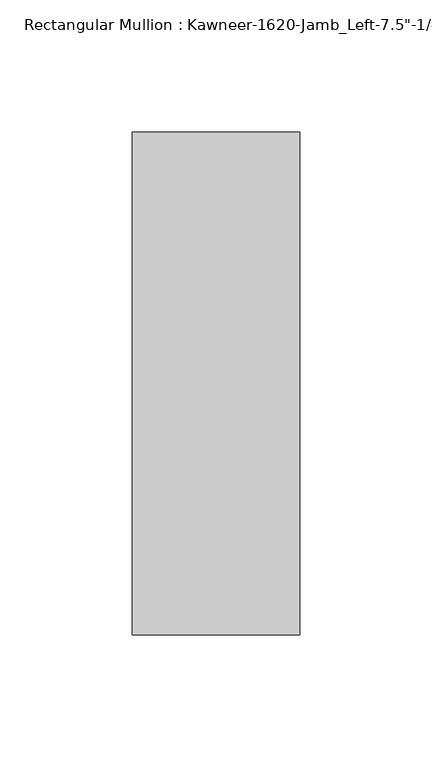
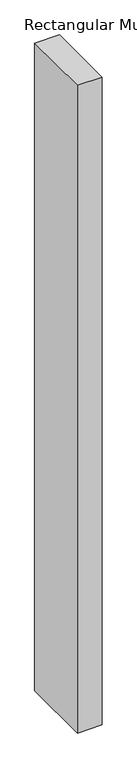
"""IFC4 building model written with IfcOpenShell, lengths in millimetres: member geometry."""

import ifcopenshell
import ifcopenshell.guid

model = None  # the IFC model being written
_history = None  # IfcOwnerHistory: only IFC2X3 demands one
_inside = {}  # id of a spatial element -> (the spatial element, [elements in it])
_under = {}  # id of a project, library or spatial element -> (it, [spatial elements below it])
_declared = {}  # id of a project -> (the project, [libraries it declares])
_typed = {}  # id of a type object -> (the type object, [elements of that type])
_made_of = {}  # id of a material, layer set ... -> (it, [elements and type objects made of it])


def new_model(schema):
    """Start an empty IFC model of exactly this schema.

    Asked for "IFC4X3", IfcOpenShell would pick the latest addendum, in which some entities
    have other attributes; the version numbers below select the first issue.
    IFC2X3 requires an IfcOwnerHistory on every rooted entity: one is made here for all.
    """
    global model, _history
    if schema == "IFC4X3":
        model = ifcopenshell.file(schema_version=(4, 3, 0, 0))
    else:
        model = ifcopenshell.file(schema=schema)
    _inside.clear()
    _under.clear()
    _declared.clear()
    _typed.clear()
    _made_of.clear()
    _history = None
    if model.schema == "IFC2X3":
        org = make("IfcOrganization", Name="unknown")
        user = make(
            "IfcPersonAndOrganization",
            ThePerson=make("IfcPerson", FamilyName="unknown"),
            TheOrganization=org,
        )
        app = make(
            "IfcApplication",
            ApplicationDeveloper=org,
            Version="unknown",
            ApplicationFullName="unknown",
            ApplicationIdentifier="unknown",
        )
        _history = make(
            "IfcOwnerHistory",
            OwningUser=user,
            OwningApplication=app,
            ChangeAction="ADDED",
            CreationDate=0,
        )
    return model


def make(cls, **values):
    """One entity of the class cls with the attributes given. An attribute that is None is left unset."""
    return model.create_entity(
        cls, **{name: value for name, value in values.items() if value is not None}
    )


def rooted(cls, **values):
    """An entity with a GlobalId (a new one), such as an element, a storey or a relation."""
    return make(cls, GlobalId=ifcopenshell.guid.new(), OwnerHistory=_history, **values)


def si_unit(unit_type, name, prefix=None):
    """IfcSIUnit, for example si_unit("LENGTHUNIT", "METRE", prefix="MILLI")."""
    return make("IfcSIUnit", UnitType=unit_type, Prefix=prefix, Name=name)


def assignment(units):
    """IfcUnitAssignment: the units of a project."""
    return None if units is None else make("IfcUnitAssignment", Units=units)


def point(xyz):
    """IfcCartesianPoint."""
    return None if xyz is None else make("IfcCartesianPoint", Coordinates=xyz)


def direction(xyz):
    """IfcDirection."""
    return None if xyz is None else make("IfcDirection", DirectionRatios=xyz)


def frame(location, z_axis=None, x_axis=None):
    """IfcAxis2Placement3D, a coordinate frame: its origin and axes. An axis left out is left unset."""
    return make(
        "IfcAxis2Placement3D",
        Location=point(location),
        Axis=direction(z_axis),
        RefDirection=direction(x_axis),
    )


def origin():
    """The frame at (0, 0, 0) with its axes left unset."""
    return frame((0.0, 0.0, 0.0))


def place(relative_to, where):
    """IfcLocalPlacement: puts the frame where relative to a parent placement (None: the world)."""
    return make(
        "IfcLocalPlacement", PlacementRelTo=relative_to, RelativePlacement=where
    )


def context(
    kind, dimensions, precision=None, world=None, true_north=None, identifier=None
):
    """IfcGeometricRepresentationContext, for example the 3D "Model" context."""
    return make(
        "IfcGeometricRepresentationContext",
        ContextIdentifier=identifier,
        ContextType=kind,
        CoordinateSpaceDimension=dimensions,
        Precision=precision,
        WorldCoordinateSystem=world,
        TrueNorth=true_north,
    )


def project(units=None, contexts=None):
    """IfcProject with its units and contexts."""
    return rooted(
        "IfcProject",
        Name="project",
        RepresentationContexts=contexts,
        UnitsInContext=assignment(units),
    )


def spatial(cls, under=None, at=None, **own):
    """A site, building, storey or space (cls), placed at a placement, below another one or the project."""
    s = rooted(cls, ObjectPlacement=at, **own)
    if under is not None:
        _under.setdefault(under.id(), (under, []))[1].append(s)
    return s


def polyline(points):
    """IfcPolyline through the points."""
    return make("IfcPolyline", Points=[point(p) for p in points])


def outline(outer, holes=None, kind="AREA"):
    """IfcArbitraryClosedProfileDef: a profile drawn as a closed curve; with holes, ...WithVoids."""
    if holes is None:
        return make("IfcArbitraryClosedProfileDef", ProfileType=kind, OuterCurve=outer)
    return make(
        "IfcArbitraryProfileDefWithVoids",
        ProfileType=kind,
        OuterCurve=outer,
        InnerCurves=holes,
    )


def extrude(swept, where, along, depth):
    """IfcExtrudedAreaSolid: the profile swept, set in the frame where, extruded along a direction by depth."""
    return make(
        "IfcExtrudedAreaSolid",
        SweptArea=swept,
        Position=where,
        ExtrudedDirection=direction(along),
        Depth=depth,
    )


def shape(context_of_items, identifier, shape_type, items):
    """IfcShapeRepresentation: the items that make up one representation, for example the "Body"."""
    return make(
        "IfcShapeRepresentation",
        ContextOfItems=context_of_items,
        RepresentationIdentifier=identifier,
        RepresentationType=shape_type,
        Items=items,
    )


def source(mapping_origin, context_of_items, identifier, shape_type, items):
    """IfcRepresentationMap: a shape defined once, which mapped items show again and again."""
    return make(
        "IfcRepresentationMap",
        MappingOrigin=mapping_origin,
        MappedRepresentation=shape(context_of_items, identifier, shape_type, items),
    )


def transform(
    local_origin,
    x_axis=None,
    y_axis=None,
    z_axis=None,
    scale=None,
    scale2=None,
    scale3=None,
    uniform=True,
):
    """IfcCartesianTransformationOperator3D, or its non-uniform kind. x_axis, y_axis, z_axis: its Axis1, 2, 3."""
    if uniform:
        return make(
            "IfcCartesianTransformationOperator3D",
            Axis1=direction(x_axis),
            Axis2=direction(y_axis),
            LocalOrigin=point(local_origin),
            Scale=scale,
            Axis3=direction(z_axis),
        )
    return make(
        "IfcCartesianTransformationOperator3DnonUniform",
        Axis1=direction(x_axis),
        Axis2=direction(y_axis),
        LocalOrigin=point(local_origin),
        Scale=scale,
        Axis3=direction(z_axis),
        Scale2=scale2,
        Scale3=scale3,
    )


def mapped(mapping_source, mapping_target):
    """IfcMappedItem: shows the shape of a source again, moved by a transform."""
    return make(
        "IfcMappedItem", MappingSource=mapping_source, MappingTarget=mapping_target
    )


def made_of(thing, what):
    """Note that an element or type object is made of a material, layer set ...; save() writes the relation."""
    if what is not None:
        _made_of.setdefault(what.id(), (what, []))[1].append(thing)
    return thing


def element(
    cls,
    number,
    at=None,
    inside=None,
    cuts=None,
    type_object=None,
    material=None,
    context=None,
    identifier="Body",
    shape_type=None,
    held_by="IfcProductDefinitionShape",
    body=None,
    shapes=None,
    **own,
):
    """One element of the class cls, such as IfcWall. Its Tag is "e" and its number.

    at: its placement. inside: the storey or other place that contains it. cuts: it is an
    opening in that element (IfcRelVoidsElement). A single representation is given by context,
    identifier, shape_type and body (its items); several are given by shapes. held_by: the class
    of the entity that holds the representations. save() writes the other relations.
    """
    e = rooted(cls, Tag="e%d" % number, ObjectPlacement=at, **own)
    if body is not None:
        shapes = [shape(context, identifier, shape_type, body)]
    if shapes is not None:
        e.Representation = make(held_by, Representations=shapes)
    if inside is not None:
        _inside.setdefault(inside.id(), (inside, []))[1].append(e)
    if cuts is not None:
        rooted(
            "IfcRelVoidsElement", RelatingBuildingElement=cuts, RelatedOpeningElement=e
        )
    if type_object is not None:
        _typed.setdefault(type_object.id(), (type_object, []))[1].append(e)
    return made_of(e, material)


def aggregate(whole, parts):
    """IfcRelAggregates: a whole, such as a stair, and the parts it consists of."""
    return rooted("IfcRelAggregates", RelatingObject=whole, RelatedObjects=parts)


def save(model, path):
    """Write the relations noted so far, then the file.

    IfcRelAggregates (storeys below a building ...), IfcRelContainedInSpatialStructure (elements
    in a storey), IfcRelDefinesByType, IfcRelAssociatesMaterial and IfcRelDeclares: one each for
    every whole, place, type object, material and project.
    """
    for whole, parts in _under.values():
        aggregate(whole, parts)
    for where, things in _inside.values():
        rooted(
            "IfcRelContainedInSpatialStructure",
            RelatedElements=things,
            RelatingStructure=where,
        )
    for kind, things in _typed.values():
        rooted("IfcRelDefinesByType", RelatedObjects=things, RelatingType=kind)
    for what, things in _made_of.values():
        rooted("IfcRelAssociatesMaterial", RelatedObjects=things, RelatingMaterial=what)
    for by, libraries in _declared.values():
        rooted("IfcRelDeclares", RelatingContext=by, RelatedDefinitions=libraries)
    model.write(path)


def member_bf3c01fd(model_context):
    return source(origin(), model_context, "Body", "SweptSolid", [
        extrude(outline(polyline([(22.225, -28.575), (-41.275, -28.575), (-41.275, 161.925), (22.225, 161.925), (22.225, -28.575)])), frame((0.0, 0.0, -1765.3), z_axis=(0.0, 0.0, 1.0), x_axis=(1.0, 0.0, 0.0)), (0.0, 0.0, 1.0), 1765.3),
    ])


if __name__ == "__main__":
    model = new_model("IFC4")
    model_context = context("Model", 3, world=origin())
    ifc_project = project(units=[si_unit("LENGTHUNIT", "METRE", prefix="MILLI")], contexts=[model_context])
    site = spatial("IfcSite", under=ifc_project)
    building = spatial("IfcBuilding", under=site)
    placement = place(None, origin())
    member_shape = member_bf3c01fd(model_context)
    element("IfcMember", 1, ObjectType="Rectangular Mullion : Kawneer-1620-Jamb_Left-7.5\"-1/4\"Infill", at=placement, inside=building, context=model_context, shape_type="MappedRepresentation", body=[
        mapped(member_shape, transform((0.0, 0.0, 0.0), x_axis=(1.0, 0.0, 0.0), y_axis=(0.0, 1.0, 0.0), z_axis=(0.0, 0.0, 1.0))),
    ])
    save(model, "model.ifc")
